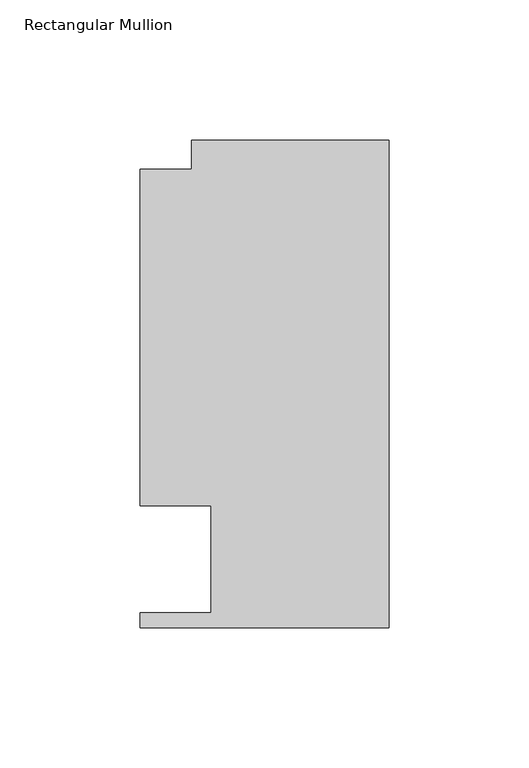
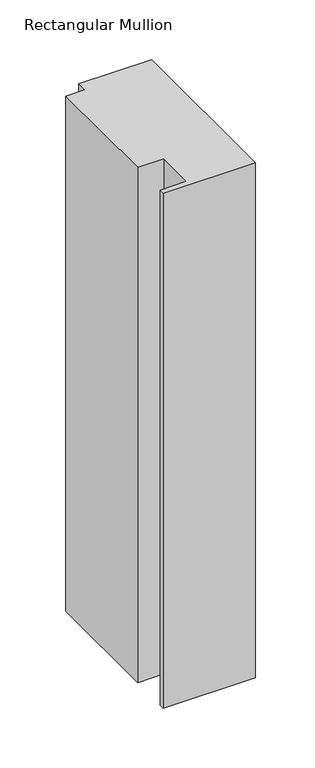
"""IFC4 building model written with IfcOpenShell, lengths in millimetres: member geometry, Rectangular Mullion."""

from ifc_helpers import new_model, si_unit, frame, origin, place, context, project, spatial, polyline, outline, extrude, source, transform, mapped, element, save


def rectangular_mullion_c6166455(model_context):
    return source(origin(), model_context, "Body", "SweptSolid", [
        extrude(outline(polyline([(-88.9131928, 151.892), (-70.395709, 151.892), (-70.395709, 162.3059961), (0.0, 162.3059961), (0.0, -11.684), (-88.9131928, -11.684), (-88.9131928, -6.35), (-63.5131928, -6.35), (-63.5131928, 31.75), (-88.9131928, 31.75), (-88.9131928, 151.892)])), frame((0.0, 0.0, -527.197016), z_axis=(0.0, 0.0, 1.0), x_axis=(1.0, 0.0, 0.0)), (0.0, 0.0, 1.0), 527.197016),
    ])


if __name__ == "__main__":
    model = new_model("IFC4")
    model_context = context("Model", 3, world=origin())
    ifc_project = project(units=[si_unit("LENGTHUNIT", "METRE", prefix="MILLI")], contexts=[model_context])
    site = spatial("IfcSite", under=ifc_project)
    building = spatial("IfcBuilding", under=site)
    placement = place(None, origin())
    rectangular_mullion_shape = rectangular_mullion_c6166455(model_context)
    element("IfcMember", 1, ObjectType="Rectangular Mullion", at=placement, inside=building, context=model_context, shape_type="MappedRepresentation", body=[
        mapped(rectangular_mullion_shape, transform((0.0, 0.0, 0.0), x_axis=(1.0, 0.0, 0.0), y_axis=(0.0, 1.0, 0.0), z_axis=(0.0, 0.0, 1.0))),
    ])
    save(model, "model.ifc")
